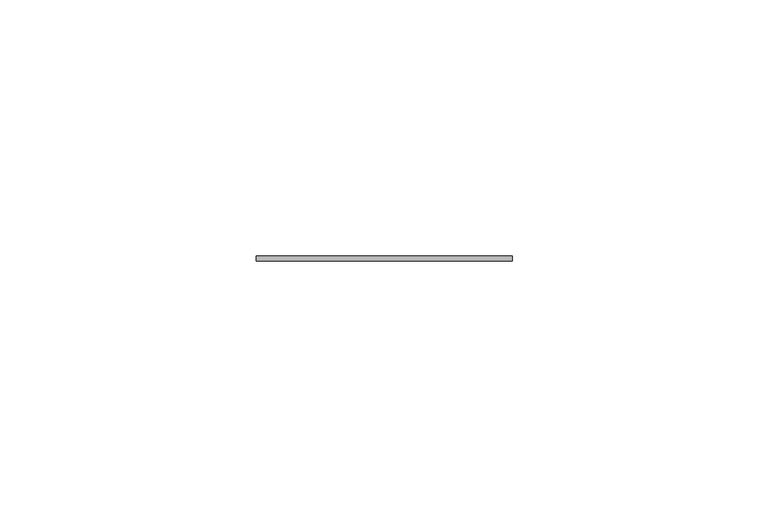
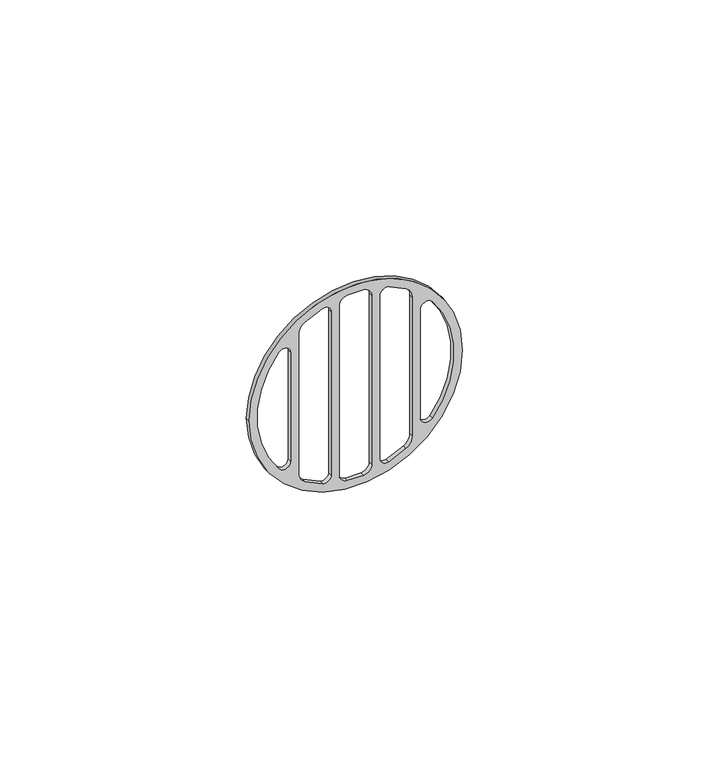
"""IFC4 building model written with IfcOpenShell, lengths in millimetres: proxy geometry."""

from ifc_helpers import new_model, si_unit, point, frame, frame_2d, origin, origin_2d, place, context, project, spatial, polyline, circle_curve, trimmed, segment, composite_curve, outline, extrude, source, transform, mapped, element, save


def generic_models_0ab91b49(model_context):
    return source(origin(), model_context, "Body", "SweptSolid", [
        extrude(outline(composite_curve([segment(trimmed(circle_curve(origin_2d(), 25.0), [point((0.0, -25.0))], [point((0.0, 25.0))], False, "CARTESIAN"), True, "CONTINUOUS"), segment(trimmed(circle_curve(origin_2d(), 25.0), [point((0.0, 25.0))], [point((0.0, -25.0))], False, "CARTESIAN"), True, "CONTINUOUS")], self_intersect=False), holes=[composite_curve([segment(polyline([(-20.9269563, -3.75), (20.9269563, -3.75)]), True, "CONTINUOUS"), segment(trimmed(circle_curve(frame_2d((20.9269563, -1.75)), 2.0), [point((20.9269563, -3.75))], [point((22.9199998, -1.9166667))], True, "CARTESIAN"), True, "CONTINUOUS"), segment(trimmed(circle_curve(origin_2d(), 23.0), [point((22.9199998, -1.9166667))], [point((22.9199998, 1.9166667))], True, "CARTESIAN"), True, "CONTINUOUS"), segment(trimmed(circle_curve(frame_2d((20.9269563, 1.75)), 2.0), [point((22.9199998, 1.9166667))], [point((20.9269563, 3.75))], True, "CARTESIAN"), True, "CONTINUOUS"), segment(polyline([(20.9269563, 3.75), (-20.9269563, 3.75)]), True, "CONTINUOUS"), segment(trimmed(circle_curve(frame_2d((-20.9269563, 1.75)), 2.0), [point((-20.9269563, 3.75))], [point((-22.9199998, 1.9166667))], True, "CARTESIAN"), True, "CONTINUOUS"), segment(trimmed(circle_curve(origin_2d(), 23.0), [point((-22.9199998, 1.9166667))], [point((-22.9199998, -1.9166667))], True, "CARTESIAN"), True, "CONTINUOUS"), segment(trimmed(circle_curve(frame_2d((-20.9269563, -1.75)), 2.0), [point((-22.9199998, -1.9166667))], [point((-20.9269563, -3.75))], True, "CARTESIAN"), True, "CONTINUOUS")], self_intersect=False), composite_curve([segment(trimmed(circle_curve(origin_2d(), 23.0), [point((-21.6528832, -7.755814))], [point((-19.7498062, -11.7875))], True, "CARTESIAN"), True, "CONTINUOUS"), segment(trimmed(circle_curve(frame_2d((-17.1737445, -10.25)), 3.0), [point((-19.7498062, -11.7875))], [point((-17.1737445, -13.25))], True, "CARTESIAN"), True, "CONTINUOUS"), segment(polyline([(-17.1737445, -13.25), (17.1737445, -13.25)]), True, "CONTINUOUS"), segment(trimmed(circle_curve(frame_2d((17.1737445, -10.25)), 3.0), [point((17.1737445, -13.25))], [point((19.7498062, -11.7875))], True, "CARTESIAN"), True, "CONTINUOUS"), segment(trimmed(circle_curve(origin_2d(), 23.0), [point((19.7498062, -11.7875))], [point((21.6528832, -7.755814))], True, "CARTESIAN"), True, "CONTINUOUS"), segment(trimmed(circle_curve(frame_2d((20.2407386, -7.25)), 1.5), [point((21.6528832, -7.755814))], [point((20.2407386, -5.75))], True, "CARTESIAN"), True, "CONTINUOUS"), segment(polyline([(20.2407386, -5.75), (-20.2407386, -5.75)]), True, "CONTINUOUS"), segment(trimmed(circle_curve(frame_2d((-20.2407386, -7.25)), 1.5), [point((-20.2407386, -5.75))], [point((-21.6528832, -7.755814))], True, "CARTESIAN"), True, "CONTINUOUS")], self_intersect=False), composite_curve([segment(trimmed(circle_curve(origin_2d(), 23.0), [point((21.6528832, 7.755814))], [point((19.7498062, 11.7875))], True, "CARTESIAN"), True, "CONTINUOUS"), segment(trimmed(circle_curve(frame_2d((17.1737445, 10.25)), 3.0), [point((19.7498062, 11.7875))], [point((17.1737445, 13.25))], True, "CARTESIAN"), True, "CONTINUOUS"), segment(polyline([(17.1737445, 13.25), (-17.1737445, 13.25)]), True, "CONTINUOUS"), segment(trimmed(circle_curve(frame_2d((-17.1737445, 10.25)), 3.0), [point((-17.1737445, 13.25))], [point((-19.7498062, 11.7875))], True, "CARTESIAN"), True, "CONTINUOUS"), segment(trimmed(circle_curve(origin_2d(), 23.0), [point((-19.7498062, 11.7875))], [point((-21.6528832, 7.755814))], True, "CARTESIAN"), True, "CONTINUOUS"), segment(trimmed(circle_curve(frame_2d((-20.2407386, 7.25)), 1.5), [point((-21.6528832, 7.755814))], [point((-20.2407386, 5.75))], True, "CARTESIAN"), True, "CONTINUOUS"), segment(polyline([(-20.2407386, 5.75), (20.2407386, 5.75)]), True, "CONTINUOUS"), segment(trimmed(circle_curve(frame_2d((20.2407386, 7.25)), 1.5), [point((20.2407386, 5.75))], [point((21.6528832, 7.755814))], True, "CARTESIAN"), True, "CONTINUOUS")], self_intersect=False), composite_curve([segment(trimmed(circle_curve(origin_2d(), 23.0), [point((-14.4195564, -17.9186047))], [point((14.4195564, -17.9186047))], True, "CARTESIAN"), True, "CONTINUOUS"), segment(trimmed(circle_curve(frame_2d((13.4791506, -16.75)), 1.5), [point((14.4195564, -17.9186047))], [point((13.4791506, -15.25))], True, "CARTESIAN"), True, "CONTINUOUS"), segment(polyline([(13.4791506, -15.25), (-13.4791506, -15.25)]), True, "CONTINUOUS"), segment(trimmed(circle_curve(frame_2d((-13.4791506, -16.75)), 1.5), [point((-13.4791506, -15.25))], [point((-14.4195564, -17.9186047))], True, "CARTESIAN"), True, "CONTINUOUS")], self_intersect=False), composite_curve([segment(trimmed(circle_curve(frame_2d((-13.4791506, 16.75)), 1.5), [point((-14.4195564, 17.9186047))], [point((-13.4791506, 15.25))], True, "CARTESIAN"), True, "CONTINUOUS"), segment(polyline([(-13.4791506, 15.25), (13.4791506, 15.25)]), True, "CONTINUOUS"), segment(trimmed(circle_curve(frame_2d((13.4791506, 16.75)), 1.5), [point((13.4791506, 15.25))], [point((14.4195564, 17.9186047))], True, "CARTESIAN"), True, "CONTINUOUS"), segment(trimmed(circle_curve(origin_2d(), 23.0), [point((14.4195564, 17.9186047))], [point((-14.4195564, 17.9186047))], True, "CARTESIAN"), True, "CONTINUOUS")], self_intersect=False)]), frame((0.0, 0.0, 0.0), z_axis=(0.0, 1.0, 0.0), x_axis=(0.0, 0.0, 1.0)), (0.0, 0.0, 1.0), 1.0),
    ])


if __name__ == "__main__":
    model = new_model("IFC4")
    model_context = context("Model", 3, world=origin())
    ifc_project = project(units=[si_unit("LENGTHUNIT", "METRE", prefix="MILLI")], contexts=[model_context])
    site = spatial("IfcSite", under=ifc_project)
    building = spatial("IfcBuilding", under=site)
    placement = place(None, origin())
    generic_models_shape = generic_models_0ab91b49(model_context)
    element("IfcBuildingElementProxy", 1, Name="Generic Models", at=placement, inside=building, context=model_context, shape_type="MappedRepresentation", body=[
        mapped(generic_models_shape, transform((0.0, 0.0, 0.0), x_axis=(1.0, 0.0, 0.0), y_axis=(0.0, 1.0, 0.0), z_axis=(0.0, 0.0, 1.0))),
    ])
    save(model, "model.ifc")
